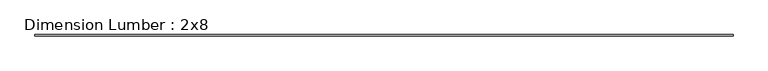
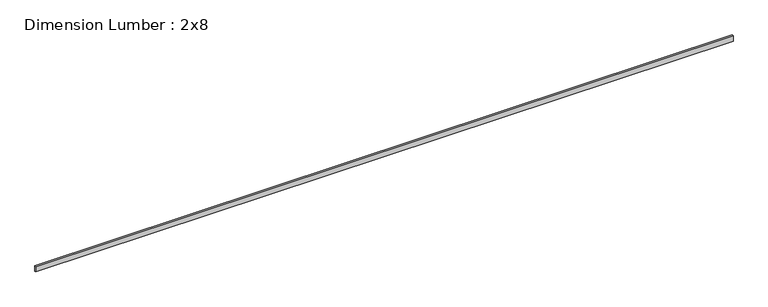
"""IFC4 building model written with IfcOpenShell, lengths in millimetres: beam geometry, Dimension Lumber : 2x8."""

from ifc_helpers import new_model, si_unit, frame, origin, place, context, project, spatial, polyline, outline, extrude, source, transform, mapped, element, save


def dimension_lumber_2x8_421dcb57(model_context):
    return source(origin(), model_context, "Body", "SweptSolid", [
        extrude(outline(polyline([(11194.3710373, 19.05), (11194.3710373, -19.05), (-11194.3710373, -19.05), (-11194.3710373, 19.05), (11194.3710373, 19.05)])), frame((0.0, 0.0, -92.075), z_axis=(0.0, 0.0, 1.0), x_axis=(1.0, 0.0, 0.0)), (0.0, 0.0, 1.0), 184.15),
    ])


if __name__ == "__main__":
    model = new_model("IFC4")
    model_context = context("Model", 3, world=origin())
    ifc_project = project(units=[si_unit("LENGTHUNIT", "METRE", prefix="MILLI")], contexts=[model_context])
    site = spatial("IfcSite", under=ifc_project)
    building = spatial("IfcBuilding", under=site)
    placement = place(None, origin())
    dimension_lumber_2x8_shape = dimension_lumber_2x8_421dcb57(model_context)
    element("IfcBeam", 1, ObjectType="Dimension Lumber : 2x8", at=placement, inside=building, context=model_context, shape_type="MappedRepresentation", body=[
        mapped(dimension_lumber_2x8_shape, transform((0.0, 0.0, 0.0), x_axis=(1.0, 0.0, 0.0), y_axis=(0.0, 1.0, 0.0), z_axis=(0.0, 0.0, 1.0))),
    ])
    save(model, "model.ifc")
